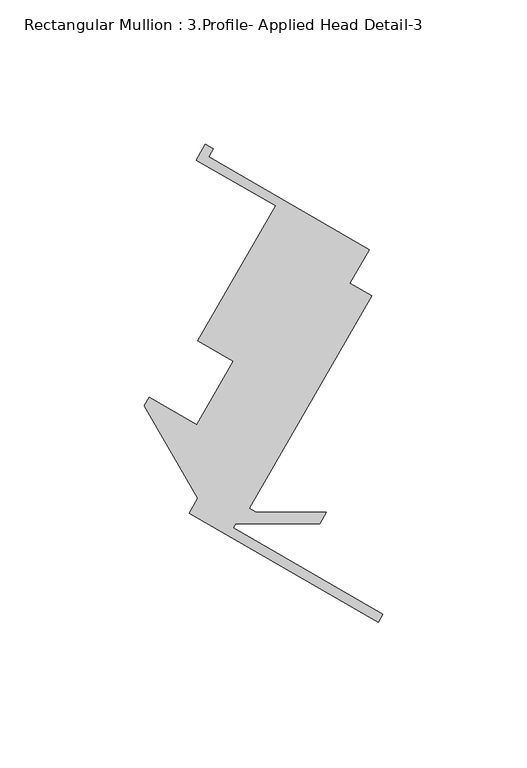
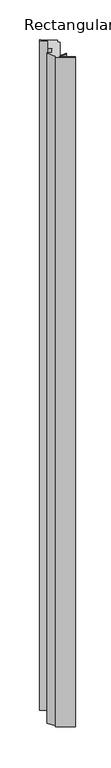
"""IFC4 building model written with IfcOpenShell, lengths in millimetres: member geometry, Rectangular Mullion : 3.Profile- Applied Head Detail-3."""

from ifc_helpers import new_model, si_unit, frame, origin, place, context, project, spatial, polyline, outline, extrude, source, transform, mapped, element, save


def rectangular_mullion_3_profile_applied_head_detail_3_06be0a2e(model_context):
    return source(origin(), model_context, "Body", "SweptSolid", [
        extrude(outline(polyline([(-64.122458, -60.2993765), (-82.6251988, -28.2494626), (-80.9283, -25.4253487), (-64.430516, -34.9503487), (-51.7311637, -12.9544253), (-64.1045017, -5.8106753), (-37.116354, 40.9341677), (-64.6126606, 56.8091677), (-61.4376606, 62.3084291), (-58.6880299, 60.7209291), (-60.2755299, 57.9712984), (-4.6010084, 25.8275984), (-11.3447084, 14.1471674), (-3.7777248, 9.7783674), (-46.2344598, -63.7588548), (-43.8476407, -65.1368854), (-19.5337596, -65.1368854), (-21.8352114, -69.1231168), (-50.8893055, -69.1288841), (-51.7760882, -70.6648367), (0.0, -100.5577752), (-1.5875, -103.3074058), (-67.1117415, -65.4769674), (-64.122458, -60.2993765)])), frame((0.0, 0.0, -3048.0), z_axis=(0.0, 0.0, 1.0), x_axis=(1.0, 0.0, 0.0)), (0.0, 0.0, 1.0), 3048.0),
    ])


if __name__ == "__main__":
    model = new_model("IFC4")
    model_context = context("Model", 3, world=origin())
    ifc_project = project(units=[si_unit("LENGTHUNIT", "METRE", prefix="MILLI")], contexts=[model_context])
    site = spatial("IfcSite", under=ifc_project)
    building = spatial("IfcBuilding", under=site)
    placement = place(None, origin())
    rectangular_mullion_3_profile_applied_head_detail_3_shape = rectangular_mullion_3_profile_applied_head_detail_3_06be0a2e(model_context)
    element("IfcMember", 1, ObjectType="Rectangular Mullion : 3.Profile- Applied Head Detail-3", at=placement, inside=building, context=model_context, shape_type="MappedRepresentation", body=[
        mapped(rectangular_mullion_3_profile_applied_head_detail_3_shape, transform((0.0, 0.0, 0.0), x_axis=(1.0, 0.0, 0.0), y_axis=(0.0, 1.0, 0.0), z_axis=(0.0, 0.0, 1.0))),
    ])
    save(model, "model.ifc")
